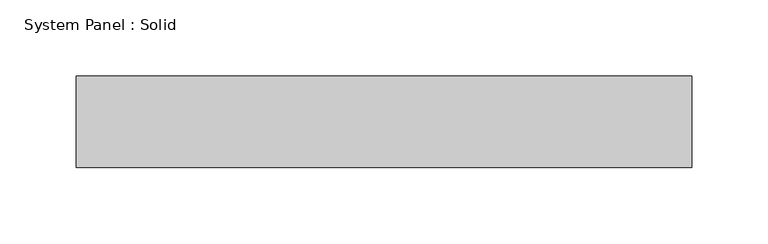
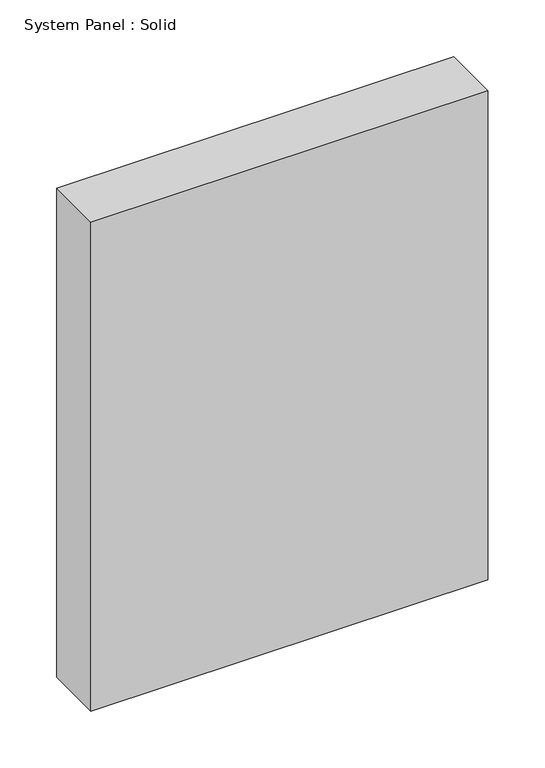
"""IFC4 building model written with IfcOpenShell, lengths in millimetres: plate geometry, System Panel : Solid."""

from ifc_helpers import new_model, si_unit, origin, origin_with_axes, place, context, project, spatial, polyline, outline, extrude, source, transform, mapped, element, save


def system_panel_solid_b2571c71(model_context):
    return source(origin(), model_context, "Body", "SweptSolid", [
        extrude(outline(polyline([(201.5945913, -49.5), (-201.5945913, -49.5), (-201.5945913, 10.5), (201.5945913, 10.5), (201.5945913, -49.5)])), origin_with_axes(), (0.0, 0.0, 1.0), 525.0),
    ])


if __name__ == "__main__":
    model = new_model("IFC4")
    model_context = context("Model", 3, world=origin())
    ifc_project = project(units=[si_unit("LENGTHUNIT", "METRE", prefix="MILLI")], contexts=[model_context])
    site = spatial("IfcSite", under=ifc_project)
    building = spatial("IfcBuilding", under=site)
    placement = place(None, origin())
    system_panel_solid_shape = system_panel_solid_b2571c71(model_context)
    element("IfcPlate", 1, ObjectType="System Panel : Solid", at=placement, inside=building, context=model_context, shape_type="MappedRepresentation", body=[
        mapped(system_panel_solid_shape, transform((0.0, 0.0, 0.0), x_axis=(1.0, 0.0, 0.0), y_axis=(0.0, 1.0, 0.0), z_axis=(0.0, 0.0, 1.0))),
    ])
    save(model, "model.ifc")
